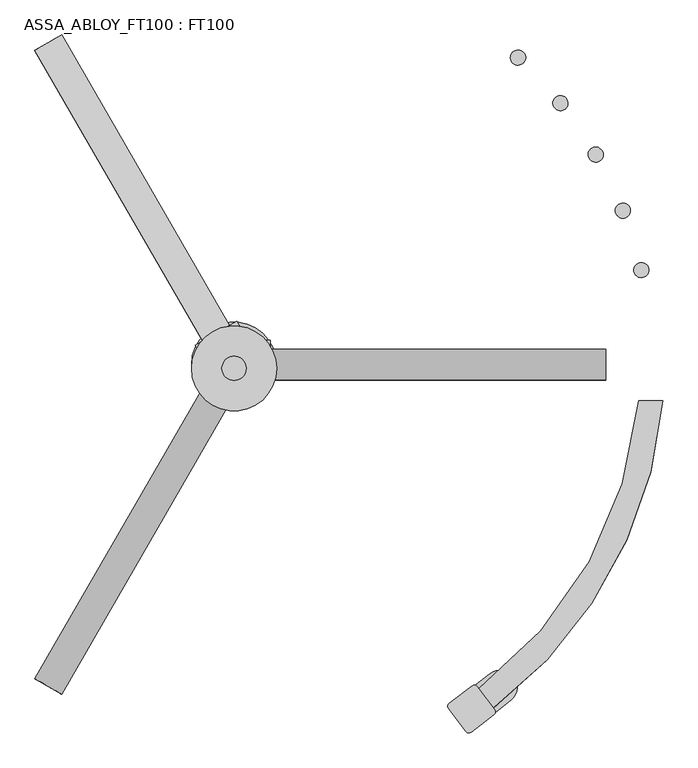
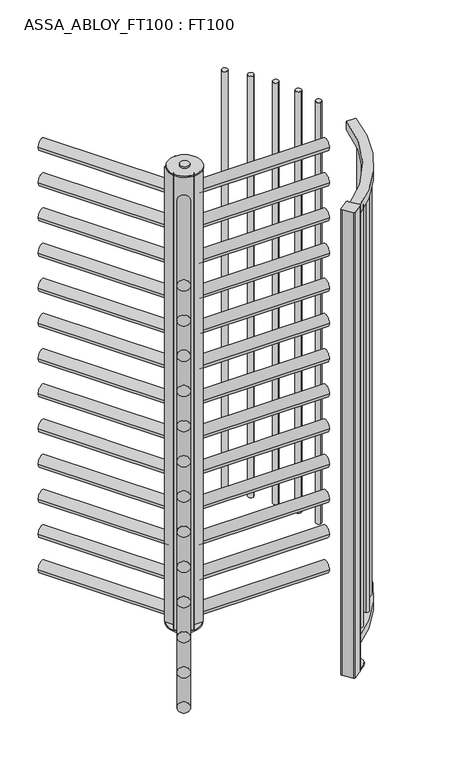
"""IFC4 building model written with IfcOpenShell, lengths in millimetres: proxy geometry, ASSA_ABLOY_FT100 : FT100."""

import ifcopenshell
import ifcopenshell.guid

model = None  # the IFC model being written
_history = None  # IfcOwnerHistory: only IFC2X3 demands one
_inside = {}  # id of a spatial element -> (the spatial element, [elements in it])
_under = {}  # id of a project, library or spatial element -> (it, [spatial elements below it])
_declared = {}  # id of a project -> (the project, [libraries it declares])
_typed = {}  # id of a type object -> (the type object, [elements of that type])
_made_of = {}  # id of a material, layer set ... -> (it, [elements and type objects made of it])


def new_model(schema):
    """Start an empty IFC model of exactly this schema.

    Asked for "IFC4X3", IfcOpenShell would pick the latest addendum, in which some entities
    have other attributes; the version numbers below select the first issue.
    IFC2X3 requires an IfcOwnerHistory on every rooted entity: one is made here for all.
    """
    global model, _history
    if schema == "IFC4X3":
        model = ifcopenshell.file(schema_version=(4, 3, 0, 0))
    else:
        model = ifcopenshell.file(schema=schema)
    _inside.clear()
    _under.clear()
    _declared.clear()
    _typed.clear()
    _made_of.clear()
    _history = None
    if model.schema == "IFC2X3":
        org = make("IfcOrganization", Name="unknown")
        user = make(
            "IfcPersonAndOrganization",
            ThePerson=make("IfcPerson", FamilyName="unknown"),
            TheOrganization=org,
        )
        app = make(
            "IfcApplication",
            ApplicationDeveloper=org,
            Version="unknown",
            ApplicationFullName="unknown",
            ApplicationIdentifier="unknown",
        )
        _history = make(
            "IfcOwnerHistory",
            OwningUser=user,
            OwningApplication=app,
            ChangeAction="ADDED",
            CreationDate=0,
        )
    return model


def make(cls, **values):
    """One entity of the class cls with the attributes given. An attribute that is None is left unset."""
    return model.create_entity(
        cls, **{name: value for name, value in values.items() if value is not None}
    )


def rooted(cls, **values):
    """An entity with a GlobalId (a new one), such as an element, a storey or a relation."""
    return make(cls, GlobalId=ifcopenshell.guid.new(), OwnerHistory=_history, **values)


def si_unit(unit_type, name, prefix=None):
    """IfcSIUnit, for example si_unit("LENGTHUNIT", "METRE", prefix="MILLI")."""
    return make("IfcSIUnit", UnitType=unit_type, Prefix=prefix, Name=name)


def assignment(units):
    """IfcUnitAssignment: the units of a project."""
    return None if units is None else make("IfcUnitAssignment", Units=units)


def point(xyz):
    """IfcCartesianPoint."""
    return None if xyz is None else make("IfcCartesianPoint", Coordinates=xyz)


def direction(xyz):
    """IfcDirection."""
    return None if xyz is None else make("IfcDirection", DirectionRatios=xyz)


def frame(location, z_axis=None, x_axis=None):
    """IfcAxis2Placement3D, a coordinate frame: its origin and axes. An axis left out is left unset."""
    return make(
        "IfcAxis2Placement3D",
        Location=point(location),
        Axis=direction(z_axis),
        RefDirection=direction(x_axis),
    )


def frame_2d(location, x_axis=None):
    """IfcAxis2Placement2D, a coordinate frame in the plane: its origin and x axis."""
    return make(
        "IfcAxis2Placement2D", Location=point(location), RefDirection=direction(x_axis)
    )


def origin():
    """The frame at (0, 0, 0) with its axes left unset."""
    return frame((0.0, 0.0, 0.0))


def origin_with_axes():
    """The frame at (0, 0, 0) with the z axis (0, 0, 1) and the x axis (1, 0, 0) written out."""
    return frame((0.0, 0.0, 0.0), z_axis=(0.0, 0.0, 1.0), x_axis=(1.0, 0.0, 0.0))


def origin_2d():
    """The frame at (0, 0) in the plane with its x axis left unset."""
    return frame_2d((0.0, 0.0))


def place(relative_to, where):
    """IfcLocalPlacement: puts the frame where relative to a parent placement (None: the world)."""
    return make(
        "IfcLocalPlacement", PlacementRelTo=relative_to, RelativePlacement=where
    )


def context(
    kind, dimensions, precision=None, world=None, true_north=None, identifier=None
):
    """IfcGeometricRepresentationContext, for example the 3D "Model" context."""
    return make(
        "IfcGeometricRepresentationContext",
        ContextIdentifier=identifier,
        ContextType=kind,
        CoordinateSpaceDimension=dimensions,
        Precision=precision,
        WorldCoordinateSystem=world,
        TrueNorth=true_north,
    )


def project(units=None, contexts=None):
    """IfcProject with its units and contexts."""
    return rooted(
        "IfcProject",
        Name="project",
        RepresentationContexts=contexts,
        UnitsInContext=assignment(units),
    )


def spatial(cls, under=None, at=None, **own):
    """A site, building, storey or space (cls), placed at a placement, below another one or the project."""
    s = rooted(cls, ObjectPlacement=at, **own)
    if under is not None:
        _under.setdefault(under.id(), (under, []))[1].append(s)
    return s


def polyline(points):
    """IfcPolyline through the points."""
    return make("IfcPolyline", Points=[point(p) for p in points])


def circle_curve(where, radius):
    """IfcCircle in the frame where."""
    return make("IfcCircle", Position=where, Radius=radius)


def trimmed(basis, trim1, trim2, sense, master):
    """IfcTrimmedCurve: the piece of a basis curve between two trims."""
    return make(
        "IfcTrimmedCurve",
        BasisCurve=basis,
        Trim1=trim1,
        Trim2=trim2,
        SenseAgreement=sense,
        MasterRepresentation=master,
    )


def segment(curve, same_sense, transition):
    """IfcCompositeCurveSegment."""
    return make(
        "IfcCompositeCurveSegment",
        Transition=transition,
        SameSense=same_sense,
        ParentCurve=curve,
    )


def composite_curve(segments, self_intersect=None):
    """IfcCompositeCurve: segments joined end to end."""
    return make("IfcCompositeCurve", Segments=segments, SelfIntersect=self_intersect)


def outline(outer, holes=None, kind="AREA"):
    """IfcArbitraryClosedProfileDef: a profile drawn as a closed curve; with holes, ...WithVoids."""
    if holes is None:
        return make("IfcArbitraryClosedProfileDef", ProfileType=kind, OuterCurve=outer)
    return make(
        "IfcArbitraryProfileDefWithVoids",
        ProfileType=kind,
        OuterCurve=outer,
        InnerCurves=holes,
    )


def extrude(swept, where, along, depth):
    """IfcExtrudedAreaSolid: the profile swept, set in the frame where, extruded along a direction by depth."""
    return make(
        "IfcExtrudedAreaSolid",
        SweptArea=swept,
        Position=where,
        ExtrudedDirection=direction(along),
        Depth=depth,
    )


def shape(context_of_items, identifier, shape_type, items):
    """IfcShapeRepresentation: the items that make up one representation, for example the "Body"."""
    return make(
        "IfcShapeRepresentation",
        ContextOfItems=context_of_items,
        RepresentationIdentifier=identifier,
        RepresentationType=shape_type,
        Items=items,
    )


def source(mapping_origin, context_of_items, identifier, shape_type, items):
    """IfcRepresentationMap: a shape defined once, which mapped items show again and again."""
    return make(
        "IfcRepresentationMap",
        MappingOrigin=mapping_origin,
        MappedRepresentation=shape(context_of_items, identifier, shape_type, items),
    )


def transform(
    local_origin,
    x_axis=None,
    y_axis=None,
    z_axis=None,
    scale=None,
    scale2=None,
    scale3=None,
    uniform=True,
):
    """IfcCartesianTransformationOperator3D, or its non-uniform kind. x_axis, y_axis, z_axis: its Axis1, 2, 3."""
    if uniform:
        return make(
            "IfcCartesianTransformationOperator3D",
            Axis1=direction(x_axis),
            Axis2=direction(y_axis),
            LocalOrigin=point(local_origin),
            Scale=scale,
            Axis3=direction(z_axis),
        )
    return make(
        "IfcCartesianTransformationOperator3DnonUniform",
        Axis1=direction(x_axis),
        Axis2=direction(y_axis),
        LocalOrigin=point(local_origin),
        Scale=scale,
        Axis3=direction(z_axis),
        Scale2=scale2,
        Scale3=scale3,
    )


def mapped(mapping_source, mapping_target):
    """IfcMappedItem: shows the shape of a source again, moved by a transform."""
    return make(
        "IfcMappedItem", MappingSource=mapping_source, MappingTarget=mapping_target
    )


def made_of(thing, what):
    """Note that an element or type object is made of a material, layer set ...; save() writes the relation."""
    if what is not None:
        _made_of.setdefault(what.id(), (what, []))[1].append(thing)
    return thing


def element(
    cls,
    number,
    at=None,
    inside=None,
    cuts=None,
    type_object=None,
    material=None,
    context=None,
    identifier="Body",
    shape_type=None,
    held_by="IfcProductDefinitionShape",
    body=None,
    shapes=None,
    **own,
):
    """One element of the class cls, such as IfcWall. Its Tag is "e" and its number.

    at: its placement. inside: the storey or other place that contains it. cuts: it is an
    opening in that element (IfcRelVoidsElement). A single representation is given by context,
    identifier, shape_type and body (its items); several are given by shapes. held_by: the class
    of the entity that holds the representations. save() writes the other relations.
    """
    e = rooted(cls, Tag="e%d" % number, ObjectPlacement=at, **own)
    if body is not None:
        shapes = [shape(context, identifier, shape_type, body)]
    if shapes is not None:
        e.Representation = make(held_by, Representations=shapes)
    if inside is not None:
        _inside.setdefault(inside.id(), (inside, []))[1].append(e)
    if cuts is not None:
        rooted(
            "IfcRelVoidsElement", RelatingBuildingElement=cuts, RelatedOpeningElement=e
        )
    if type_object is not None:
        _typed.setdefault(type_object.id(), (type_object, []))[1].append(e)
    return made_of(e, material)


def aggregate(whole, parts):
    """IfcRelAggregates: a whole, such as a stair, and the parts it consists of."""
    return rooted("IfcRelAggregates", RelatingObject=whole, RelatedObjects=parts)


def save(model, path):
    """Write the relations noted so far, then the file.

    IfcRelAggregates (storeys below a building ...), IfcRelContainedInSpatialStructure (elements
    in a storey), IfcRelDefinesByType, IfcRelAssociatesMaterial and IfcRelDeclares: one each for
    every whole, place, type object, material and project.
    """
    for whole, parts in _under.values():
        aggregate(whole, parts)
    for where, things in _inside.values():
        rooted(
            "IfcRelContainedInSpatialStructure",
            RelatedElements=things,
            RelatingStructure=where,
        )
    for kind, things in _typed.values():
        rooted("IfcRelDefinesByType", RelatedObjects=things, RelatingType=kind)
    for what, things in _made_of.values():
        rooted("IfcRelAssociatesMaterial", RelatedObjects=things, RelatingMaterial=what)
    for by, libraries in _declared.values():
        rooted("IfcRelDeclares", RelatingContext=by, RelatedDefinitions=libraries)
    model.write(path)


def plane_surface(at):
    """IfcPlane: the flat surface through the origin of the frame at, square to its z axis."""
    return make("IfcPlane", Position=at)


def cylinder_surface(at, radius):
    """IfcCylindricalSurface: all points at the distance radius from the z axis of the frame at."""
    return make("IfcCylindricalSurface", Position=at, Radius=radius)


def advanced_brep(points, edges, surfaces, faces):
    """IfcAdvancedBrep: a solid bounded by faces that lie on surfaces and meet in shared edges.

    An edge is (start, end): straight between two places in points (the first is 0);
    or (start, end, curve); or (start, end, curve, False) where it runs against its curve.
    A face is (place in surfaces, loops), or (place, loops, False) where it looks against
    its surface's normal. A loop lists edges by number (the first is 1), with a minus sign
    where the edge is run from its end to its start. The first loop is the outer one.
    """
    corners = [point(p) for p in points]
    vertices = [make("IfcVertexPoint", VertexGeometry=c) for c in corners]
    made = []
    for start, end, *more in edges:
        made.append(
            make(
                "IfcEdgeCurve",
                EdgeStart=vertices[start],
                EdgeEnd=vertices[end],
                EdgeGeometry=more[0] if more else make("IfcPolyline", Points=[corners[start], corners[end]]),
                SameSense=more[1] if len(more) > 1 else True,
            )
        )
    hull = []
    for where, loops, *sense in faces:
        bounds = []
        for j, loop in enumerate(loops):
            ring = [make("IfcOrientedEdge", EdgeElement=made[abs(k) - 1], Orientation=k > 0) for k in loop]
            bounds.append(
                make(
                    "IfcFaceOuterBound" if j == 0 else "IfcFaceBound",
                    Bound=make("IfcEdgeLoop", EdgeList=ring),
                    Orientation=True,
                )
            )
        hull.append(make("IfcAdvancedFace", Bounds=bounds, FaceSurface=surfaces[where], SameSense=sense[0] if sense else True))
    return make("IfcAdvancedBrep", Outer=make("IfcClosedShell", CfsFaces=hull))


def assa_abloy_ft100_ft100_a3c77648(model_context):
    return source(origin(), model_context, "Body", "SolidModel", [
        extrude(outline(composite_curve([segment(trimmed(circle_curve(frame_2d((25.5, 2.28e-05)), 25.5), [point((25.5, -25.4999771))], [point((25.5, 25.5000229))], False, "CARTESIAN"), True, "CONTINUOUS"), segment(trimmed(circle_curve(frame_2d((25.5, 2.28e-05)), 25.5), [point((25.5, 25.5000229))], [point((25.5, -25.4999771))], False, "CARTESIAN"), True, "CONTINUOUS")], self_intersect=False)), frame((-307.9197029, -533.3773229, 37.0), z_axis=(0.49996853474322756, 0.866043569496772, 0.0), x_axis=(0.0, 0.0, 1.0)), (0.0, 0.0, 1.0), 555.9000001),
        extrude(outline(composite_curve([segment(trimmed(circle_curve(frame_2d((186.5, 2.28e-05)), 25.5), [point((186.5, -25.4999771))], [point((186.5, 25.5000229))], False, "CARTESIAN"), True, "CONTINUOUS"), segment(trimmed(circle_curve(frame_2d((186.5, 2.28e-05)), 25.5), [point((186.5, 25.5000229))], [point((186.5, -25.4999771))], False, "CARTESIAN"), True, "CONTINUOUS")], self_intersect=False)), frame((-307.9197029, -533.3773229, 37.0), z_axis=(0.49996853474322756, 0.866043569496772, 0.0), x_axis=(0.0, 0.0, 1.0)), (0.0, 0.0, 1.0), 555.9000001),
        extrude(outline(composite_curve([segment(trimmed(circle_curve(frame_2d((347.5, 2.28e-05)), 25.5), [point((347.5, -25.4999771))], [point((347.5, 25.5000229))], False, "CARTESIAN"), True, "CONTINUOUS"), segment(trimmed(circle_curve(frame_2d((347.5, 2.28e-05)), 25.5), [point((347.5, 25.5000229))], [point((347.5, -25.4999771))], False, "CARTESIAN"), True, "CONTINUOUS")], self_intersect=False)), frame((-307.9197029, -533.3773229, 37.0), z_axis=(0.49996853474322756, 0.866043569496772, 0.0), x_axis=(0.0, 0.0, 1.0)), (0.0, 0.0, 1.0), 555.9000001),
        extrude(outline(composite_curve([segment(trimmed(circle_curve(frame_2d((508.5, 2.28e-05)), 25.5), [point((508.5, -25.4999771))], [point((508.5, 25.5000229))], False, "CARTESIAN"), True, "CONTINUOUS"), segment(trimmed(circle_curve(frame_2d((508.5, 2.28e-05)), 25.5), [point((508.5, 25.5000229))], [point((508.5, -25.4999771))], False, "CARTESIAN"), True, "CONTINUOUS")], self_intersect=False)), frame((-307.9197029, -533.3773229, 37.0), z_axis=(0.49996853474322756, 0.866043569496772, 0.0), x_axis=(0.0, 0.0, 1.0)), (0.0, 0.0, 1.0), 555.9000001),
        extrude(outline(composite_curve([segment(trimmed(circle_curve(frame_2d((669.5, 2.28e-05)), 25.5), [point((669.5, -25.4999771))], [point((669.5, 25.5000229))], False, "CARTESIAN"), True, "CONTINUOUS"), segment(trimmed(circle_curve(frame_2d((669.5, 2.28e-05)), 25.5), [point((669.5, 25.5000229))], [point((669.5, -25.4999771))], False, "CARTESIAN"), True, "CONTINUOUS")], self_intersect=False)), frame((-307.9197029, -533.3773229, 37.0), z_axis=(0.49996853474322756, 0.866043569496772, 0.0), x_axis=(0.0, 0.0, 1.0)), (0.0, 0.0, 1.0), 555.9000001),
        extrude(outline(composite_curve([segment(trimmed(circle_curve(frame_2d((830.5, 2.28e-05)), 25.5), [point((830.5, -25.4999771))], [point((830.5, 25.5000229))], False, "CARTESIAN"), True, "CONTINUOUS"), segment(trimmed(circle_curve(frame_2d((830.5, 2.28e-05)), 25.5), [point((830.5, 25.5000229))], [point((830.5, -25.4999771))], False, "CARTESIAN"), True, "CONTINUOUS")], self_intersect=False)), frame((-307.9197029, -533.3773229, 37.0), z_axis=(0.49996853474322756, 0.866043569496772, 0.0), x_axis=(0.0, 0.0, 1.0)), (0.0, 0.0, 1.0), 555.9000001),
        extrude(outline(composite_curve([segment(trimmed(circle_curve(frame_2d((991.5, 2.28e-05)), 25.5), [point((991.5, -25.4999771))], [point((991.5, 25.5000229))], False, "CARTESIAN"), True, "CONTINUOUS"), segment(trimmed(circle_curve(frame_2d((991.5, 2.28e-05)), 25.5), [point((991.5, 25.5000229))], [point((991.5, -25.4999771))], False, "CARTESIAN"), True, "CONTINUOUS")], self_intersect=False)), frame((-307.9197029, -533.3773229, 37.0), z_axis=(0.49996853474322756, 0.866043569496772, 0.0), x_axis=(0.0, 0.0, 1.0)), (0.0, 0.0, 1.0), 555.9000001),
        extrude(outline(composite_curve([segment(trimmed(circle_curve(frame_2d((1152.5, 2.28e-05)), 25.5), [point((1152.5, -25.4999771))], [point((1152.5, 25.5000229))], False, "CARTESIAN"), True, "CONTINUOUS"), segment(trimmed(circle_curve(frame_2d((1152.5, 2.28e-05)), 25.5), [point((1152.5, 25.5000229))], [point((1152.5, -25.4999771))], False, "CARTESIAN"), True, "CONTINUOUS")], self_intersect=False)), frame((-307.9197029, -533.3773229, 37.0), z_axis=(0.49996853474322756, 0.866043569496772, 0.0), x_axis=(0.0, 0.0, 1.0)), (0.0, 0.0, 1.0), 555.9000001),
        extrude(outline(composite_curve([segment(trimmed(circle_curve(frame_2d((1313.5, 2.28e-05)), 25.5), [point((1313.5, -25.4999771))], [point((1313.5, 25.5000229))], False, "CARTESIAN"), True, "CONTINUOUS"), segment(trimmed(circle_curve(frame_2d((1313.5, 2.28e-05)), 25.5), [point((1313.5, 25.5000229))], [point((1313.5, -25.4999771))], False, "CARTESIAN"), True, "CONTINUOUS")], self_intersect=False)), frame((-307.9197029, -533.3773229, 37.0), z_axis=(0.49996853474322756, 0.866043569496772, 0.0), x_axis=(0.0, 0.0, 1.0)), (0.0, 0.0, 1.0), 555.9000001),
        extrude(outline(composite_curve([segment(trimmed(circle_curve(frame_2d((1474.5, 2.28e-05)), 25.5), [point((1474.5, -25.4999771))], [point((1474.5, 25.5000229))], False, "CARTESIAN"), True, "CONTINUOUS"), segment(trimmed(circle_curve(frame_2d((1474.5, 2.28e-05)), 25.5), [point((1474.5, 25.5000229))], [point((1474.5, -25.4999771))], False, "CARTESIAN"), True, "CONTINUOUS")], self_intersect=False)), frame((-307.9197029, -533.3773229, 37.0), z_axis=(0.49996853474322756, 0.866043569496772, 0.0), x_axis=(0.0, 0.0, 1.0)), (0.0, 0.0, 1.0), 555.9000001),
        extrude(outline(composite_curve([segment(trimmed(circle_curve(frame_2d((1635.5, 2.28e-05)), 25.5), [point((1635.5, -25.4999771))], [point((1635.5, 25.5000229))], False, "CARTESIAN"), True, "CONTINUOUS"), segment(trimmed(circle_curve(frame_2d((1635.5, 2.28e-05)), 25.5), [point((1635.5, 25.5000229))], [point((1635.5, -25.4999771))], False, "CARTESIAN"), True, "CONTINUOUS")], self_intersect=False)), frame((-307.9197029, -533.3773229, 37.0), z_axis=(0.49996853474322756, 0.866043569496772, 0.0), x_axis=(0.0, 0.0, 1.0)), (0.0, 0.0, 1.0), 555.9000001),
        extrude(outline(composite_curve([segment(trimmed(circle_curve(frame_2d((1796.5, 2.28e-05)), 25.5), [point((1796.5, -25.4999771))], [point((1796.5, 25.5000229))], False, "CARTESIAN"), True, "CONTINUOUS"), segment(trimmed(circle_curve(frame_2d((1796.5, 2.28e-05)), 25.5), [point((1796.5, 25.5000229))], [point((1796.5, -25.4999771))], False, "CARTESIAN"), True, "CONTINUOUS")], self_intersect=False)), frame((-307.9197029, -533.3773229, 37.0), z_axis=(0.49996853474322756, 0.866043569496772, 0.0), x_axis=(0.0, 0.0, 1.0)), (0.0, 0.0, 1.0), 555.9000001),
        extrude(outline(composite_curve([segment(trimmed(circle_curve(frame_2d((1957.5, 2.28e-05)), 25.5), [point((1957.5, -25.4999771))], [point((1957.5, 25.5000229))], False, "CARTESIAN"), True, "CONTINUOUS"), segment(trimmed(circle_curve(frame_2d((1957.5, 2.28e-05)), 25.5), [point((1957.5, 25.5000229))], [point((1957.5, -25.4999771))], False, "CARTESIAN"), True, "CONTINUOUS")], self_intersect=False)), frame((-307.9197029, -533.3773229, 37.0), z_axis=(0.49996853474322756, 0.866043569496772, 0.0), x_axis=(0.0, 0.0, 1.0)), (0.0, 0.0, 1.0), 555.9000001),
        extrude(outline(composite_curve([segment(trimmed(circle_curve(frame_2d((25.5, -2.28e-05)), 25.5), [point((25.5, 25.4999772))], [point((25.5, -25.5000228))], False, "CARTESIAN"), True, "CONTINUOUS"), segment(trimmed(circle_curve(frame_2d((25.5, -2.28e-05)), 25.5), [point((25.5, -25.5000228))], [point((25.5, 25.4999772))], False, "CARTESIAN"), True, "CONTINUOUS")], self_intersect=False)), frame((-29.9917907, 51.946396, 37.0), z_axis=(-0.5000065646043342, 0.8660216136751852, 0.0), x_axis=(0.0, 0.0, 1.0)), (0.0, 0.0, 1.0), 555.9),
        extrude(outline(composite_curve([segment(trimmed(circle_curve(frame_2d((186.5, -2.28e-05)), 25.5), [point((186.5, 25.4999772))], [point((186.5, -25.5000228))], False, "CARTESIAN"), True, "CONTINUOUS"), segment(trimmed(circle_curve(frame_2d((186.5, -2.28e-05)), 25.5), [point((186.5, -25.5000228))], [point((186.5, 25.4999772))], False, "CARTESIAN"), True, "CONTINUOUS")], self_intersect=False)), frame((-29.9917907, 51.946396, 37.0), z_axis=(-0.5000065646043342, 0.8660216136751852, 0.0), x_axis=(0.0, 0.0, 1.0)), (0.0, 0.0, 1.0), 555.9),
        extrude(outline(composite_curve([segment(trimmed(circle_curve(frame_2d((347.5, -2.28e-05)), 25.5), [point((347.5, 25.4999772))], [point((347.5, -25.5000228))], False, "CARTESIAN"), True, "CONTINUOUS"), segment(trimmed(circle_curve(frame_2d((347.5, -2.28e-05)), 25.5), [point((347.5, -25.5000228))], [point((347.5, 25.4999772))], False, "CARTESIAN"), True, "CONTINUOUS")], self_intersect=False)), frame((-29.9917907, 51.946396, 37.0), z_axis=(-0.5000065646043342, 0.8660216136751852, 0.0), x_axis=(0.0, 0.0, 1.0)), (0.0, 0.0, 1.0), 555.9),
        extrude(outline(composite_curve([segment(trimmed(circle_curve(frame_2d((508.5, -2.28e-05)), 25.5), [point((508.5, 25.4999772))], [point((508.5, -25.5000228))], False, "CARTESIAN"), True, "CONTINUOUS"), segment(trimmed(circle_curve(frame_2d((508.5, -2.28e-05)), 25.5), [point((508.5, -25.5000228))], [point((508.5, 25.4999772))], False, "CARTESIAN"), True, "CONTINUOUS")], self_intersect=False)), frame((-29.9917907, 51.946396, 37.0), z_axis=(-0.5000065646043342, 0.8660216136751852, 0.0), x_axis=(0.0, 0.0, 1.0)), (0.0, 0.0, 1.0), 555.9),
        extrude(outline(composite_curve([segment(trimmed(circle_curve(frame_2d((669.5, -2.28e-05)), 25.5), [point((669.5, 25.4999772))], [point((669.5, -25.5000228))], False, "CARTESIAN"), True, "CONTINUOUS"), segment(trimmed(circle_curve(frame_2d((669.5, -2.28e-05)), 25.5), [point((669.5, -25.5000228))], [point((669.5, 25.4999772))], False, "CARTESIAN"), True, "CONTINUOUS")], self_intersect=False)), frame((-29.9917907, 51.946396, 37.0), z_axis=(-0.5000065646043342, 0.8660216136751852, 0.0), x_axis=(0.0, 0.0, 1.0)), (0.0, 0.0, 1.0), 555.9),
        extrude(outline(composite_curve([segment(trimmed(circle_curve(frame_2d((830.5, -2.28e-05)), 25.5), [point((830.5, 25.4999772))], [point((830.5, -25.5000228))], False, "CARTESIAN"), True, "CONTINUOUS"), segment(trimmed(circle_curve(frame_2d((830.5, -2.28e-05)), 25.5), [point((830.5, -25.5000228))], [point((830.5, 25.4999772))], False, "CARTESIAN"), True, "CONTINUOUS")], self_intersect=False)), frame((-29.9917907, 51.946396, 37.0), z_axis=(-0.5000065646043342, 0.8660216136751852, 0.0), x_axis=(0.0, 0.0, 1.0)), (0.0, 0.0, 1.0), 555.9),
        extrude(outline(composite_curve([segment(trimmed(circle_curve(frame_2d((991.5, -2.28e-05)), 25.5), [point((991.5, 25.4999772))], [point((991.5, -25.5000228))], False, "CARTESIAN"), True, "CONTINUOUS"), segment(trimmed(circle_curve(frame_2d((991.5, -2.28e-05)), 25.5), [point((991.5, -25.5000228))], [point((991.5, 25.4999772))], False, "CARTESIAN"), True, "CONTINUOUS")], self_intersect=False)), frame((-29.9917907, 51.946396, 37.0), z_axis=(-0.5000065646043342, 0.8660216136751852, 0.0), x_axis=(0.0, 0.0, 1.0)), (0.0, 0.0, 1.0), 555.9),
        extrude(outline(composite_curve([segment(trimmed(circle_curve(frame_2d((1152.5, -2.28e-05)), 25.5), [point((1152.5, 25.4999772))], [point((1152.5, -25.5000228))], False, "CARTESIAN"), True, "CONTINUOUS"), segment(trimmed(circle_curve(frame_2d((1152.5, -2.28e-05)), 25.5), [point((1152.5, -25.5000228))], [point((1152.5, 25.4999772))], False, "CARTESIAN"), True, "CONTINUOUS")], self_intersect=False)), frame((-29.9917907, 51.946396, 37.0), z_axis=(-0.5000065646043342, 0.8660216136751852, 0.0), x_axis=(0.0, 0.0, 1.0)), (0.0, 0.0, 1.0), 555.9),
        extrude(outline(composite_curve([segment(trimmed(circle_curve(frame_2d((1313.5, -2.28e-05)), 25.5), [point((1313.5, 25.4999772))], [point((1313.5, -25.5000228))], False, "CARTESIAN"), True, "CONTINUOUS"), segment(trimmed(circle_curve(frame_2d((1313.5, -2.28e-05)), 25.5), [point((1313.5, -25.5000228))], [point((1313.5, 25.4999772))], False, "CARTESIAN"), True, "CONTINUOUS")], self_intersect=False)), frame((-29.9917907, 51.946396, 37.0), z_axis=(-0.5000065646043342, 0.8660216136751852, 0.0), x_axis=(0.0, 0.0, 1.0)), (0.0, 0.0, 1.0), 555.9),
        extrude(outline(composite_curve([segment(trimmed(circle_curve(frame_2d((1474.5, -2.28e-05)), 25.5), [point((1474.5, 25.4999772))], [point((1474.5, -25.5000228))], False, "CARTESIAN"), True, "CONTINUOUS"), segment(trimmed(circle_curve(frame_2d((1474.5, -2.28e-05)), 25.5), [point((1474.5, -25.5000228))], [point((1474.5, 25.4999772))], False, "CARTESIAN"), True, "CONTINUOUS")], self_intersect=False)), frame((-29.9917907, 51.946396, 37.0), z_axis=(-0.5000065646043342, 0.8660216136751852, 0.0), x_axis=(0.0, 0.0, 1.0)), (0.0, 0.0, 1.0), 555.9),
        extrude(outline(composite_curve([segment(trimmed(circle_curve(frame_2d((1635.5, -2.28e-05)), 25.5), [point((1635.5, 25.4999772))], [point((1635.5, -25.5000228))], False, "CARTESIAN"), True, "CONTINUOUS"), segment(trimmed(circle_curve(frame_2d((1635.5, -2.28e-05)), 25.5), [point((1635.5, -25.5000228))], [point((1635.5, 25.4999772))], False, "CARTESIAN"), True, "CONTINUOUS")], self_intersect=False)), frame((-29.9917907, 51.946396, 37.0), z_axis=(-0.5000065646043342, 0.8660216136751852, 0.0), x_axis=(0.0, 0.0, 1.0)), (0.0, 0.0, 1.0), 555.9),
        extrude(outline(composite_curve([segment(trimmed(circle_curve(frame_2d((1796.5, -2.28e-05)), 25.5), [point((1796.5, 25.4999772))], [point((1796.5, -25.5000228))], False, "CARTESIAN"), True, "CONTINUOUS"), segment(trimmed(circle_curve(frame_2d((1796.5, -2.28e-05)), 25.5), [point((1796.5, -25.5000228))], [point((1796.5, 25.4999772))], False, "CARTESIAN"), True, "CONTINUOUS")], self_intersect=False)), frame((-29.9917907, 51.946396, 37.0), z_axis=(-0.5000065646043342, 0.8660216136751852, 0.0), x_axis=(0.0, 0.0, 1.0)), (0.0, 0.0, 1.0), 555.9),
        extrude(outline(composite_curve([segment(trimmed(circle_curve(frame_2d((1957.5, -2.28e-05)), 25.5), [point((1957.5, 25.4999772))], [point((1957.5, -25.5000228))], False, "CARTESIAN"), True, "CONTINUOUS"), segment(trimmed(circle_curve(frame_2d((1957.5, -2.28e-05)), 25.5), [point((1957.5, -25.5000228))], [point((1957.5, 25.4999772))], False, "CARTESIAN"), True, "CONTINUOUS")], self_intersect=False)), frame((-29.9917907, 51.946396, 37.0), z_axis=(-0.5000065646043342, 0.8660216136751852, 0.0), x_axis=(0.0, 0.0, 1.0)), (0.0, 0.0, 1.0), 555.9),
        extrude(outline(composite_curve([segment(trimmed(circle_curve(frame_2d((0.0, 62.5)), 25.5), [point((-25.5, 62.5))], [point((25.5, 62.5))], False, "CARTESIAN"), True, "CONTINUOUS"), segment(trimmed(circle_curve(frame_2d((0.0, 62.5)), 25.5), [point((25.5, 62.5))], [point((-25.5, 62.5))], False, "CARTESIAN"), True, "CONTINUOUS")], self_intersect=False)), frame((60.0, 0.0, 0.0), z_axis=(1.0, 0.0, 0.0), x_axis=(0.0, 1.0, 0.0)), (0.0, 0.0, 1.0), 555.9),
        extrude(outline(composite_curve([segment(trimmed(circle_curve(frame_2d((0.0, 223.5)), 25.5), [point((-25.5, 223.5))], [point((25.5, 223.5))], False, "CARTESIAN"), True, "CONTINUOUS"), segment(trimmed(circle_curve(frame_2d((0.0, 223.5)), 25.5), [point((25.5, 223.5))], [point((-25.5, 223.5))], False, "CARTESIAN"), True, "CONTINUOUS")], self_intersect=False)), frame((60.0, 0.0, 0.0), z_axis=(1.0, 0.0, 0.0), x_axis=(0.0, 1.0, 0.0)), (0.0, 0.0, 1.0), 555.9),
        extrude(outline(composite_curve([segment(trimmed(circle_curve(frame_2d((0.0, 384.5)), 25.5), [point((-25.5, 384.5))], [point((25.5, 384.5))], False, "CARTESIAN"), True, "CONTINUOUS"), segment(trimmed(circle_curve(frame_2d((0.0, 384.5)), 25.5), [point((25.5, 384.5))], [point((-25.5, 384.5))], False, "CARTESIAN"), True, "CONTINUOUS")], self_intersect=False)), frame((60.0, 0.0, 0.0), z_axis=(1.0, 0.0, 0.0), x_axis=(0.0, 1.0, 0.0)), (0.0, 0.0, 1.0), 555.9),
        extrude(outline(composite_curve([segment(trimmed(circle_curve(frame_2d((0.0, 545.5)), 25.5), [point((-25.5, 545.5))], [point((25.5, 545.5))], False, "CARTESIAN"), True, "CONTINUOUS"), segment(trimmed(circle_curve(frame_2d((0.0, 545.5)), 25.5), [point((25.5, 545.5))], [point((-25.5, 545.5))], False, "CARTESIAN"), True, "CONTINUOUS")], self_intersect=False)), frame((60.0, 0.0, 0.0), z_axis=(1.0, 0.0, 0.0), x_axis=(0.0, 1.0, 0.0)), (0.0, 0.0, 1.0), 555.9),
        extrude(outline(composite_curve([segment(trimmed(circle_curve(frame_2d((0.0, 706.5)), 25.5), [point((-25.5, 706.5))], [point((25.5, 706.5))], False, "CARTESIAN"), True, "CONTINUOUS"), segment(trimmed(circle_curve(frame_2d((0.0, 706.5)), 25.5), [point((25.5, 706.5))], [point((-25.5, 706.5))], False, "CARTESIAN"), True, "CONTINUOUS")], self_intersect=False)), frame((60.0, 0.0, 0.0), z_axis=(1.0, 0.0, 0.0), x_axis=(0.0, 1.0, 0.0)), (0.0, 0.0, 1.0), 555.9),
        extrude(outline(composite_curve([segment(trimmed(circle_curve(frame_2d((0.0, 867.5)), 25.5), [point((-25.5, 867.5))], [point((25.5, 867.5))], False, "CARTESIAN"), True, "CONTINUOUS"), segment(trimmed(circle_curve(frame_2d((0.0, 867.5)), 25.5), [point((25.5, 867.5))], [point((-25.5, 867.5))], False, "CARTESIAN"), True, "CONTINUOUS")], self_intersect=False)), frame((60.0, 0.0, 0.0), z_axis=(1.0, 0.0, 0.0), x_axis=(0.0, 1.0, 0.0)), (0.0, 0.0, 1.0), 555.9),
        extrude(outline(composite_curve([segment(trimmed(circle_curve(frame_2d((0.0, 1028.5)), 25.5), [point((-25.5, 1028.5))], [point((25.5, 1028.5))], False, "CARTESIAN"), True, "CONTINUOUS"), segment(trimmed(circle_curve(frame_2d((0.0, 1028.5)), 25.5), [point((25.5, 1028.5))], [point((-25.5, 1028.5))], False, "CARTESIAN"), True, "CONTINUOUS")], self_intersect=False)), frame((60.0, 0.0, 0.0), z_axis=(1.0, 0.0, 0.0), x_axis=(0.0, 1.0, 0.0)), (0.0, 0.0, 1.0), 555.9),
        extrude(outline(composite_curve([segment(trimmed(circle_curve(frame_2d((0.0, 1189.5)), 25.5), [point((-25.5, 1189.5))], [point((25.5, 1189.5))], False, "CARTESIAN"), True, "CONTINUOUS"), segment(trimmed(circle_curve(frame_2d((0.0, 1189.5)), 25.5), [point((25.5, 1189.5))], [point((-25.5, 1189.5))], False, "CARTESIAN"), True, "CONTINUOUS")], self_intersect=False)), frame((60.0, 0.0, 0.0), z_axis=(1.0, 0.0, 0.0), x_axis=(0.0, 1.0, 0.0)), (0.0, 0.0, 1.0), 555.9),
        extrude(outline(composite_curve([segment(trimmed(circle_curve(frame_2d((0.0, 1350.5)), 25.5), [point((-25.5, 1350.5))], [point((25.5, 1350.5))], False, "CARTESIAN"), True, "CONTINUOUS"), segment(trimmed(circle_curve(frame_2d((0.0, 1350.5)), 25.5), [point((25.5, 1350.5))], [point((-25.5, 1350.5))], False, "CARTESIAN"), True, "CONTINUOUS")], self_intersect=False)), frame((60.0, 0.0, 0.0), z_axis=(1.0, 0.0, 0.0), x_axis=(0.0, 1.0, 0.0)), (0.0, 0.0, 1.0), 555.9),
        extrude(outline(composite_curve([segment(trimmed(circle_curve(frame_2d((0.0, 1511.5)), 25.5), [point((-25.5, 1511.5))], [point((25.5, 1511.5))], False, "CARTESIAN"), True, "CONTINUOUS"), segment(trimmed(circle_curve(frame_2d((0.0, 1511.5)), 25.5), [point((25.5, 1511.5))], [point((-25.5, 1511.5))], False, "CARTESIAN"), True, "CONTINUOUS")], self_intersect=False)), frame((60.0, 0.0, 0.0), z_axis=(1.0, 0.0, 0.0), x_axis=(0.0, 1.0, 0.0)), (0.0, 0.0, 1.0), 555.9),
        extrude(outline(composite_curve([segment(trimmed(circle_curve(frame_2d((0.0, 1672.5)), 25.5), [point((-25.5, 1672.5))], [point((25.5, 1672.5))], False, "CARTESIAN"), True, "CONTINUOUS"), segment(trimmed(circle_curve(frame_2d((0.0, 1672.5)), 25.5), [point((25.5, 1672.5))], [point((-25.5, 1672.5))], False, "CARTESIAN"), True, "CONTINUOUS")], self_intersect=False)), frame((60.0, 0.0, 0.0), z_axis=(1.0, 0.0, 0.0), x_axis=(0.0, 1.0, 0.0)), (0.0, 0.0, 1.0), 555.9),
        extrude(outline(composite_curve([segment(trimmed(circle_curve(frame_2d((0.0, 1833.5)), 25.5), [point((-25.5, 1833.5))], [point((25.5, 1833.5))], False, "CARTESIAN"), True, "CONTINUOUS"), segment(trimmed(circle_curve(frame_2d((0.0, 1833.5)), 25.5), [point((25.5, 1833.5))], [point((-25.5, 1833.5))], False, "CARTESIAN"), True, "CONTINUOUS")], self_intersect=False)), frame((60.0, 0.0, 0.0), z_axis=(1.0, 0.0, 0.0), x_axis=(0.0, 1.0, 0.0)), (0.0, 0.0, 1.0), 555.9),
        extrude(outline(composite_curve([segment(trimmed(circle_curve(frame_2d((0.0, 1994.5)), 25.5), [point((-25.5, 1994.5))], [point((25.5, 1994.5))], False, "CARTESIAN"), True, "CONTINUOUS"), segment(trimmed(circle_curve(frame_2d((0.0, 1994.5)), 25.5), [point((25.5, 1994.5))], [point((-25.5, 1994.5))], False, "CARTESIAN"), True, "CONTINUOUS")], self_intersect=False)), frame((60.0, 0.0, 0.0), z_axis=(1.0, 0.0, 0.0), x_axis=(0.0, 1.0, 0.0)), (0.0, 0.0, 1.0), 555.9),
        extrude(outline(composite_curve([segment(trimmed(circle_curve(frame_2d((0.0003681, -6.5842658)), 20.0), [point((-19.9996319, -6.5842658))], [point((20.0003681, -6.5842658))], False, "CARTESIAN"), True, "CONTINUOUS"), segment(trimmed(circle_curve(frame_2d((0.0003681, -6.5842658)), 20.0), [point((20.0003681, -6.5842658))], [point((-19.9996319, -6.5842658))], False, "CARTESIAN"), True, "CONTINUOUS")], self_intersect=False)), frame((0.0, 0.0, 2116.4999542), z_axis=(0.0, 0.0, 1.0), x_axis=(1.0, 0.0, 0.0)), (0.0, 0.0, 1.0), 8.5),
        extrude(outline(composite_curve([segment(trimmed(circle_curve(frame_2d((0.0003681, -6.5842658)), 70.5), [point((-70.4996319, -6.5842658))], [point((70.5003681, -6.5842658))], False, "CARTESIAN"), True, "CONTINUOUS"), segment(trimmed(circle_curve(frame_2d((0.0003681, -6.5842658)), 70.5), [point((70.5003681, -6.5842658))], [point((-70.4996319, -6.5842658))], False, "CARTESIAN"), True, "CONTINUOUS")], self_intersect=False)), frame((0.0, 0.0, 2110.4999695), z_axis=(0.0, 0.0, 1.0), x_axis=(1.0, 0.0, 0.0)), (0.0, 0.0, 1.0), 5.9999847),
        extrude(outline(composite_curve([segment(trimmed(circle_curve(frame_2d((0.0003681, 0.0)), 20.0), [point((-19.9996319, 0.0))], [point((20.0003681, 0.0))], False, "CARTESIAN"), True, "CONTINUOUS"), segment(trimmed(circle_curve(frame_2d((0.0003681, 0.0)), 20.0), [point((20.0003681, 0.0))], [point((-19.9996319, 0.0))], False, "CARTESIAN"), True, "CONTINUOUS")], self_intersect=False)), frame((0.0, 0.0, 8.0), z_axis=(0.0, 0.0, 1.0), x_axis=(1.0, 0.0, 0.0)), (0.0, 0.0, 1.0), 13.0),
        extrude(outline(composite_curve([segment(trimmed(circle_curve(frame_2d((0.0003681, 0.0)), 70.5), [point((-70.4996319, 0.0))], [point((70.5003681, 0.0))], False, "CARTESIAN"), True, "CONTINUOUS"), segment(trimmed(circle_curve(frame_2d((0.0003681, 0.0)), 70.5), [point((70.5003681, 0.0))], [point((-70.4996319, 0.0))], False, "CARTESIAN"), True, "CONTINUOUS")], self_intersect=False)), frame((0.0, 0.0, 21.0), z_axis=(0.0, 0.0, 1.0), x_axis=(1.0, 0.0, 0.0)), (0.0, 0.0, 1.0), 5.9999847),
        extrude(outline(polyline([(23.0942963, 39.9999606), (60.0, 39.9999734), (60.0, -40.0000191), (23.0942625, -40.0000191), (4.2026102, -71.6815392), (-63.2809074, -32.7231813), (-46.1879562, 0.0), (-64.6324519, 31.9462508), (4.6494225, 71.9468599), (23.0942963, 39.9999606)])), frame((0.0, 0.0, 26.9999847), z_axis=(0.0, 0.0, 1.0), x_axis=(1.0, 0.0, 0.0)), (0.0, 0.0, 1.0), 2083.4999847),
        advanced_brep(
        [(672.1714963, -168.5710324, 148.5), (677.7624423, -144.2042311, 148.5), (672.1714963, -168.5710324, 2077.0), (677.7971029, -144.2122099, 2077.0)],
        [
            (0, 1, circle_curve(frame((674.9756359, -156.3896203, 148.5), z_axis=(0.0, 0.0, -1.0), x_axis=(0.22571736015093904, 0.9741928316952919, 0.0)), 12.5)),
            (1, 0, circle_curve(frame((674.9756359, -156.3896203, 148.5), z_axis=(0.0, 0.0, -1.0), x_axis=(0.22571736015093904, 0.9741928316952919, 0.0)), 12.5)),
            (2, 3, circle_curve(frame((674.9756359, -156.3896203, 2077.0), z_axis=(0.0, 0.0, 1.0), x_axis=(0.22571736015093904, 0.9741928316952919, 0.0)), 12.5)),
            (3, 2, circle_curve(frame((674.9756359, -156.3896203, 2077.0), z_axis=(0.0, 0.0, 1.0), x_axis=(0.22571736015093904, 0.9741928316952919, 0.0)), 12.5)),
            (1, 3),
            (2, 0),
        ],
        [
            plane_surface(frame((675.0182131, -156.3995588, 148.5), z_axis=(0.0, 0.0, -1.0), x_axis=(0.9741928316952919, -0.22571736015093904, 0.0))),
            plane_surface(frame((675.0182131, -156.3995588, 2077.0), z_axis=(0.0, 0.0, 1.0), x_axis=(0.9741928316952919, -0.22571736015093904, 0.0))),
            cylinder_surface(frame((674.9756359, -156.3896203, 148.5), z_axis=(0.0, 0.0, -1.0), x_axis=(0.22571736015093904, 0.9741928316952919, 0.0)), 12.5),
        ],
        [
            (0, [[1, 2]]),
            (1, [[3, 4]]),
            (2, [[5, -3, 6, -2]]),
            (2, [[-6, -4, -5, -1]]),
        ],
    ),
        advanced_brep(
        [(648.8913928, -243.2502324, 148.5), (639.6786074, -266.4908061, 148.5), (648.8913928, -243.2502324, 2077.0), (639.6455551, -266.4776767, 2077.0)],
        [
            (0, 1, circle_curve(frame((644.2767347, -254.8672428, 148.5), z_axis=(0.0, 0.0, -1.0), x_axis=(0.36785018396747954, 0.9298850693258235, 0.0)), 12.5)),
            (1, 0, circle_curve(frame((644.2767347, -254.8672428, 148.5), z_axis=(0.0, 0.0, -1.0), x_axis=(0.36785018396747954, 0.9298850693258235, 0.0)), 12.5)),
            (2, 3, circle_curve(frame((644.2767347, -254.8672428, 2077.0), z_axis=(0.0, 0.0, 1.0), x_axis=(0.36785018396747954, 0.9298850693258235, 0.0)), 12.5)),
            (3, 2, circle_curve(frame((644.2767347, -254.8672428, 2077.0), z_axis=(0.0, 0.0, 1.0), x_axis=(0.36785018396747954, 0.9298850693258235, 0.0)), 12.5)),
            (1, 3),
            (2, 0),
        ],
        [
            plane_surface(frame((644.3173645, -254.8833925, 148.5), z_axis=(0.0, 0.0, -1.0000000000000002), x_axis=(0.9298850693258235, -0.36785018396747954, 0.0))),
            plane_surface(frame((644.3173645, -254.8833925, 2077.0), z_axis=(0.0, 0.0, 1.0000000000000002), x_axis=(0.9298850693258235, -0.36785018396747954, 0.0))),
            cylinder_surface(frame((644.2767347, -254.8672428, 148.5), z_axis=(0.0, 0.0, -1.0000000000000002), x_axis=(0.36785018396747954, 0.9298850693258235, 0.0)), 12.5),
        ],
        [
            (0, [[1, 2]]),
            (1, [[3, 4]]),
            (2, [[5, -3, 6, -2]]),
            (2, [[-6, -4, -5, -1]]),
        ],
    ),
        advanced_brep(
        [(605.5857382, -336.8926075, 148.5), (593.0246225, -358.5078349, 148.5), (605.5857382, -336.8926075, 2077.0), (592.9938858, -358.4899438, 2077.0)],
        [
            (0, 1, circle_curve(frame((599.297493, -347.6957539, 148.5), z_axis=(0.0, 0.0, -1.0), x_axis=(0.5018296388362806, 0.8649664811918715, 0.0)), 12.5)),
            (1, 0, circle_curve(frame((599.297493, -347.6957539, 148.5), z_axis=(0.0, 0.0, -1.0), x_axis=(0.5018296388362806, 0.8649664811918715, 0.0)), 12.5)),
            (2, 3, circle_curve(frame((599.297493, -347.6957539, 2077.0), z_axis=(0.0, 0.0, 1.0), x_axis=(0.5018296388362806, 0.8649664811918715, 0.0)), 12.5)),
            (3, 2, circle_curve(frame((599.297493, -347.6957539, 2077.0), z_axis=(0.0, 0.0, 1.0), x_axis=(0.5018296388362806, 0.8649664811918715, 0.0)), 12.5)),
            (1, 3),
            (2, 0),
        ],
        [
            plane_surface(frame((599.3352748, -347.7177567, 148.5), z_axis=(0.0, 0.0, -1.0), x_axis=(0.8649664811918715, -0.5018296388362806, 0.0))),
            plane_surface(frame((599.3352748, -347.7177567, 2077.0), z_axis=(0.0, 0.0, 1.0), x_axis=(0.8649664811918715, -0.5018296388362806, 0.0))),
            cylinder_surface(frame((599.297493, -347.6957539, 148.5), z_axis=(0.0, 0.0, -1.0), x_axis=(0.5018296388362806, 0.8649664811918715, 0.0)), 12.5),
        ],
        [
            (0, [[1, 2]]),
            (1, [[3, 4]]),
            (2, [[5, -3, 6, -2]]),
            (2, [[-6, -4, -5, -1]]),
        ],
    ),
        advanced_brep(
        [(548.6950488, -423.2782285, 148.5), (533.0565381, -442.7830143, 148.5), (548.6950488, -423.2782285, 2077.0), (533.0288068, -442.7607475, 2077.0)],
        [
            (0, 1, circle_curve(frame((540.8688566, -433.0250596, 148.5), z_axis=(0.0, 0.0, -1.0), x_axis=(0.6249854827810994, 0.7806363726555894, 0.0)), 12.5)),
            (1, 0, circle_curve(frame((540.8688566, -433.0250596, 148.5), z_axis=(0.0, 0.0, -1.0), x_axis=(0.6249854827810994, 0.7806363726555894, 0.0)), 12.5)),
            (2, 3, circle_curve(frame((540.8688566, -433.0250596, 2077.0), z_axis=(0.0, 0.0, 1.0), x_axis=(0.6249854827810994, 0.7806363726555894, 0.0)), 12.5)),
            (3, 2, circle_curve(frame((540.8688566, -433.0250596, 2077.0), z_axis=(0.0, 0.0, 1.0), x_axis=(0.6249854827810994, 0.7806363726555894, 0.0)), 12.5)),
            (1, 3),
            (2, 0),
        ],
        [
            plane_surface(frame((540.9029426, -433.052441, 148.5), z_axis=(0.0, 0.0, -1.0000000000000002), x_axis=(0.7806363726555894, -0.6249854827810994, 0.0))),
            plane_surface(frame((540.9029426, -433.052441, 2077.0), z_axis=(0.0, 0.0, 1.0000000000000002), x_axis=(0.7806363726555894, -0.6249854827810994, 0.0))),
            cylinder_surface(frame((540.8688566, -433.0250596, 148.5), z_axis=(0.0, 0.0, -1.0000000000000002), x_axis=(0.6249854827810994, 0.7806363726555894, 0.0)), 12.5),
        ],
        [
            (0, [[1, 2]]),
            (1, [[3, 4]]),
            (2, [[5, -3, 6, -2]]),
            (2, [[-6, -4, -5, -1]]),
        ],
    ),
        advanced_brep(
        [(479.7291651, -500.038821, 148.5), (461.3781315, -517.0164405, 148.5), (479.7291651, -500.038821, 2077.0), (461.3750791, -517.0131405, 2077.0)],
        [
            (0, 1, circle_curve(frame((470.5528851, -508.5268058, 148.5), z_axis=(0.0, 0.0, -1.0), x_axis=(0.733980288863185, 0.6791707705432527, 0.0)), 12.5)),
            (1, 0, circle_curve(frame((470.5528851, -508.5268058, 148.5), z_axis=(0.0, 0.0, -1.0), x_axis=(0.733980288863185, 0.6791707705432527, 0.0)), 12.5)),
            (2, 3, circle_curve(frame((470.5528851, -508.5268058, 2077.0), z_axis=(0.0, 0.0, 1.0), x_axis=(0.733980288863185, 0.6791707705432527, 0.0)), 12.5)),
            (3, 2, circle_curve(frame((470.5528851, -508.5268058, 2077.0), z_axis=(0.0, 0.0, 1.0), x_axis=(0.733980288863185, 0.6791707705432527, 0.0)), 12.5)),
            (1, 3),
            (2, 0),
        ],
        [
            plane_surface(frame((470.5974269, -508.5749422, 148.5), z_axis=(0.0, 0.0, -1.0000000000000002), x_axis=(0.6791707705432527, -0.733980288863185, 0.0))),
            plane_surface(frame((470.5974269, -508.5749422, 2077.0), z_axis=(0.0, 0.0, 1.0000000000000002), x_axis=(0.6791707705432527, -0.733980288863185, 0.0))),
            cylinder_surface(frame((470.5528851, -508.5268058, 148.5), z_axis=(0.0, 0.0, -1.0000000000000002), x_axis=(0.733980288863185, 0.6791707705432527, 0.0)), 12.5),
        ],
        [
            (0, [[1, 2]]),
            (1, [[3, 4]]),
            (2, [[5, -3, 6, -2]]),
            (2, [[-6, -4, -5, -1]]),
        ],
    ),
        extrude(outline(composite_curve([segment(trimmed(circle_curve(origin_2d(), 672.9655826), [point((405.4696607, -537.1005768))], [point((670.2855178, -60.0))], True, "CARTESIAN"), True, "CONTINUOUS"), segment(polyline([(670.2855178, -60.0), (710.4364306, -60.0)]), True, "CONTINUOUS"), segment(trimmed(circle_curve(origin_2d(), 712.9655826), [point((710.4364306, -60.0))], [point((429.5701301, -569.0249778))], False, "CARTESIAN"), True, "CONTINUOUS"), segment(polyline([(429.5701301, -569.0249778), (405.4696607, -537.1005768)]), True, "CONTINUOUS")], self_intersect=False)), frame((0.0, 0.0, 108.5), z_axis=(0.0, 0.0, 1.0), x_axis=(1.0, 0.0, 0.0)), (0.0, 0.0, 1.0), 40.0),
        extrude(outline(composite_curve([segment(trimmed(circle_curve(origin_2d(), 672.9655826), [point((405.4696607, -537.1005768))], [point((670.2855178, -60.0))], True, "CARTESIAN"), True, "CONTINUOUS"), segment(polyline([(670.2855178, -60.0), (710.4364306, -60.0)]), True, "CONTINUOUS"), segment(trimmed(circle_curve(origin_2d(), 712.9655826), [point((710.4364306, -60.0))], [point((429.5701301, -569.0249778))], False, "CARTESIAN"), True, "CONTINUOUS"), segment(polyline([(429.5701301, -569.0249778), (405.4696607, -537.1005768)]), True, "CONTINUOUS")], self_intersect=False)), frame((0.0, 0.0, 2077.0), z_axis=(0.0, 0.0, 1.0), x_axis=(1.0, 0.0, 0.0)), (0.0, 0.0, 1.0), 40.0),
        extrude(outline(composite_curve([segment(trimmed(circle_curve(frame_2d((388.9402164, -604.1259242)), 6.4), [point((392.7962915, -609.2338283))], [point((383.8323123, -607.9819993))], False, "CARTESIAN"), True, "CONTINUOUS"), segment(polyline([(383.8323123, -607.9819993), (355.3937584, -570.3112062)]), True, "CONTINUOUS"), segment(trimmed(circle_curve(frame_2d((360.5016625, -566.4551311)), 6.4), [point((355.3937584, -570.3112062))], [point((356.6455874, -561.3472269))], False, "CARTESIAN"), True, "CONTINUOUS"), segment(polyline([(356.6455874, -561.3472269), (394.2971249, -532.9232096)]), True, "CONTINUOUS"), segment(trimmed(circle_curve(frame_2d((398.1532, -538.0311137)), 6.4), [point((394.2971249, -532.9232096))], [point((403.2611041, -534.1750386))], False, "CARTESIAN"), True, "CONTINUOUS"), segment(polyline([(403.2611041, -534.1750386), (431.699658, -571.8458317)]), True, "CONTINUOUS"), segment(trimmed(circle_curve(frame_2d((426.5917539, -575.7019068)), 6.4), [point((431.699658, -571.8458317))], [point((430.447829, -580.809811))], False, "CARTESIAN"), True, "CONTINUOUS"), segment(polyline([(430.447829, -580.809811), (392.7962915, -609.2338283)]), True, "CONTINUOUS")], self_intersect=False)), origin_with_axes(), (0.0, 0.0, 1.0), 2130.0),
        extrude(outline(composite_curve([segment(trimmed(circle_curve(frame_2d((-41.8928366, 55.4928491)), 734.3647421), [point((400.5705382, -530.6110124))], [point((423.2917391, -512.7455561))], True, "CARTESIAN"), True, "CONTINUOUS"), segment(trimmed(circle_curve(frame_2d((441.0283859, -534.4114592)), 28.0), [point((423.2917391, -512.7455561))], [point((458.7650328, -556.0773623))], False, "CARTESIAN"), True, "CONTINUOUS"), segment(trimmed(circle_curve(frame_2d((-41.8928366, 55.4928491)), 790.3647421), [point((458.7650328, -556.0773623))], [point((434.3111954, -575.3051737))], False, "CARTESIAN"), True, "CONTINUOUS"), segment(polyline([(434.3111954, -575.3051737), (400.5705382, -530.6110124)]), True, "CONTINUOUS")], self_intersect=False)), origin_with_axes(), (0.0, 0.0, 1.0), 8.0),
        advanced_brep(
        [(672.1714963, 168.5710324, 148.5), (677.7971029, 144.2122099, 148.5), (672.1714963, 168.5710324, 2077.0), (677.7624423, 144.2042311, 2077.0)],
        [
            (0, 1, circle_curve(frame((674.9756359, 156.3896203, 148.5), z_axis=(0.0, 0.0, -1.0), x_axis=(0.22571736015093904, -0.9741928316952919, 0.0)), 12.5)),
            (1, 0, circle_curve(frame((674.9756359, 156.3896203, 148.5), z_axis=(0.0, 0.0, -1.0), x_axis=(0.22571736015093904, -0.9741928316952919, 0.0)), 12.5)),
            (2, 3, circle_curve(frame((674.9756359, 156.3896203, 2077.0), z_axis=(0.0, 0.0, 1.0), x_axis=(0.22571736015093904, -0.9741928316952919, 0.0)), 12.5)),
            (3, 2, circle_curve(frame((674.9756359, 156.3896203, 2077.0), z_axis=(0.0, 0.0, 1.0), x_axis=(0.22571736015093904, -0.9741928316952919, 0.0)), 12.5)),
            (0, 2),
            (3, 1),
        ],
        [
            plane_surface(frame((675.0182131, 156.3995588, 148.5), z_axis=(0.0, 0.0, -1.0), x_axis=(0.9741928316952919, 0.22571736015093904, 0.0))),
            plane_surface(frame((675.0182131, 156.3995588, 2077.0), z_axis=(0.0, 0.0, 1.0), x_axis=(0.9741928316952919, 0.22571736015093904, 0.0))),
            cylinder_surface(frame((674.9756359, 156.3896203, 148.5), z_axis=(0.0, 0.0, -1.0), x_axis=(0.22571736015093904, -0.9741928316952919, 0.0)), 12.5),
        ],
        [
            (0, [[1, 2]]),
            (1, [[3, 4]]),
            (2, [[-1, 5, -4, 6]]),
            (2, [[-2, -6, -3, -5]]),
        ],
    ),
        advanced_brep(
        [(648.8913928, 243.2502324, 148.5), (639.6455551, 266.4776767, 148.5), (648.8913928, 243.2502324, 2077.0), (639.6786074, 266.4908061, 2077.0)],
        [
            (0, 1, circle_curve(frame((644.2767347, 254.8672428, 148.5), z_axis=(0.0, 0.0, -1.0), x_axis=(0.36785018396747954, -0.9298850693258235, 0.0)), 12.5)),
            (1, 0, circle_curve(frame((644.2767347, 254.8672428, 148.5), z_axis=(0.0, 0.0, -1.0), x_axis=(0.36785018396747954, -0.9298850693258235, 0.0)), 12.5)),
            (2, 3, circle_curve(frame((644.2767347, 254.8672428, 2077.0), z_axis=(0.0, 0.0, 1.0), x_axis=(0.36785018396747954, -0.9298850693258235, 0.0)), 12.5)),
            (3, 2, circle_curve(frame((644.2767347, 254.8672428, 2077.0), z_axis=(0.0, 0.0, 1.0), x_axis=(0.36785018396747954, -0.9298850693258235, 0.0)), 12.5)),
            (0, 2),
            (3, 1),
        ],
        [
            plane_surface(frame((644.3173645, 254.8833925, 148.5), z_axis=(0.0, 0.0, -1.0000000000000002), x_axis=(0.9298850693258235, 0.36785018396747954, 0.0))),
            plane_surface(frame((644.3173645, 254.8833925, 2077.0), z_axis=(0.0, 0.0, 1.0000000000000002), x_axis=(0.9298850693258235, 0.36785018396747954, 0.0))),
            cylinder_surface(frame((644.2767347, 254.8672428, 148.5), z_axis=(0.0, 0.0, -1.0000000000000002), x_axis=(0.36785018396747954, -0.9298850693258235, 0.0)), 12.5),
        ],
        [
            (0, [[1, 2]]),
            (1, [[3, 4]]),
            (2, [[-1, 5, -4, 6]]),
            (2, [[-2, -6, -3, -5]]),
        ],
    ),
        advanced_brep(
        [(605.5857382, 336.8926075, 148.5), (592.9938858, 358.4899438, 148.5), (605.5857382, 336.8926075, 2077.0), (593.0246225, 358.5078349, 2077.0)],
        [
            (0, 1, circle_curve(frame((599.297493, 347.6957539, 148.5), z_axis=(0.0, 0.0, -1.0), x_axis=(0.5018296388362806, -0.8649664811918715, 0.0)), 12.5)),
            (1, 0, circle_curve(frame((599.297493, 347.6957539, 148.5), z_axis=(0.0, 0.0, -1.0), x_axis=(0.5018296388362806, -0.8649664811918715, 0.0)), 12.5)),
            (2, 3, circle_curve(frame((599.297493, 347.6957539, 2077.0), z_axis=(0.0, 0.0, 1.0), x_axis=(0.5018296388362806, -0.8649664811918715, 0.0)), 12.5)),
            (3, 2, circle_curve(frame((599.297493, 347.6957539, 2077.0), z_axis=(0.0, 0.0, 1.0), x_axis=(0.5018296388362806, -0.8649664811918715, 0.0)), 12.5)),
            (0, 2),
            (3, 1),
        ],
        [
            plane_surface(frame((599.3352748, 347.7177567, 148.5), z_axis=(0.0, 0.0, -1.0), x_axis=(0.8649664811918715, 0.5018296388362806, 0.0))),
            plane_surface(frame((599.3352748, 347.7177567, 2077.0), z_axis=(0.0, 0.0, 1.0), x_axis=(0.8649664811918715, 0.5018296388362806, 0.0))),
            cylinder_surface(frame((599.297493, 347.6957539, 148.5), z_axis=(0.0, 0.0, -1.0), x_axis=(0.5018296388362806, -0.8649664811918715, 0.0)), 12.5),
        ],
        [
            (0, [[1, 2]]),
            (1, [[3, 4]]),
            (2, [[-1, 5, -4, 6]]),
            (2, [[-2, -6, -3, -5]]),
        ],
    ),
        advanced_brep(
        [(548.6950488, 423.2782285, 148.5), (533.0288068, 442.7607475, 148.5), (548.6950488, 423.2782285, 2077.0), (533.0565381, 442.7830143, 2077.0)],
        [
            (0, 1, circle_curve(frame((540.8688566, 433.0250596, 148.5), z_axis=(0.0, 0.0, -1.0), x_axis=(0.6249854827810994, -0.7806363726555894, 0.0)), 12.5)),
            (1, 0, circle_curve(frame((540.8688566, 433.0250596, 148.5), z_axis=(0.0, 0.0, -1.0), x_axis=(0.6249854827810994, -0.7806363726555894, 0.0)), 12.5)),
            (2, 3, circle_curve(frame((540.8688566, 433.0250596, 2077.0), z_axis=(0.0, 0.0, 1.0), x_axis=(0.6249854827810994, -0.7806363726555894, 0.0)), 12.5)),
            (3, 2, circle_curve(frame((540.8688566, 433.0250596, 2077.0), z_axis=(0.0, 0.0, 1.0), x_axis=(0.6249854827810994, -0.7806363726555894, 0.0)), 12.5)),
            (0, 2),
            (3, 1),
        ],
        [
            plane_surface(frame((540.9029426, 433.052441, 148.5), z_axis=(0.0, 0.0, -1.0000000000000002), x_axis=(0.7806363726555894, 0.6249854827810994, 0.0))),
            plane_surface(frame((540.9029426, 433.052441, 2077.0), z_axis=(0.0, 0.0, 1.0000000000000002), x_axis=(0.7806363726555894, 0.6249854827810994, 0.0))),
            cylinder_surface(frame((540.8688566, 433.0250596, 148.5), z_axis=(0.0, 0.0, -1.0000000000000002), x_axis=(0.6249854827810994, -0.7806363726555894, 0.0)), 12.5),
        ],
        [
            (0, [[1, 2]]),
            (1, [[3, 4]]),
            (2, [[-1, 5, -4, 6]]),
            (2, [[-2, -6, -3, -5]]),
        ],
    ),
        advanced_brep(
        [(479.7291651, 500.038821, 148.5), (461.3750791, 517.0131405, 148.5), (479.7291651, 500.038821, 2077.0), (461.3781315, 517.0164405, 2077.0)],
        [
            (0, 1, circle_curve(frame((470.5528851, 508.5268058, 148.5), z_axis=(0.0, 0.0, -1.0), x_axis=(0.733980288863185, -0.6791707705432527, 0.0)), 12.5)),
            (1, 0, circle_curve(frame((470.5528851, 508.5268058, 148.5), z_axis=(0.0, 0.0, -1.0), x_axis=(0.733980288863185, -0.6791707705432527, 0.0)), 12.5)),
            (2, 3, circle_curve(frame((470.5528851, 508.5268058, 2077.0), z_axis=(0.0, 0.0, 1.0), x_axis=(0.733980288863185, -0.6791707705432527, 0.0)), 12.5)),
            (3, 2, circle_curve(frame((470.5528851, 508.5268058, 2077.0), z_axis=(0.0, 0.0, 1.0), x_axis=(0.733980288863185, -0.6791707705432527, 0.0)), 12.5)),
            (0, 2),
            (3, 1),
        ],
        [
            plane_surface(frame((470.5974269, 508.5749422, 148.5), z_axis=(0.0, 0.0, -1.0000000000000002), x_axis=(0.6791707705432527, 0.733980288863185, 0.0))),
            plane_surface(frame((470.5974269, 508.5749422, 2077.0), z_axis=(0.0, 0.0, 1.0000000000000002), x_axis=(0.6791707705432527, 0.733980288863185, 0.0))),
            cylinder_surface(frame((470.5528851, 508.5268058, 148.5), z_axis=(0.0, 0.0, -1.0000000000000002), x_axis=(0.733980288863185, -0.6791707705432527, 0.0)), 12.5),
        ],
        [
            (0, [[1, 2]]),
            (1, [[3, 4]]),
            (2, [[-1, 5, -4, 6]]),
            (2, [[-2, -6, -3, -5]]),
        ],
    ),
    ])


if __name__ == "__main__":
    model = new_model("IFC4")
    model_context = context("Model", 3, world=origin())
    ifc_project = project(units=[si_unit("LENGTHUNIT", "METRE", prefix="MILLI")], contexts=[model_context])
    site = spatial("IfcSite", under=ifc_project)
    building = spatial("IfcBuilding", under=site)
    placement = place(None, origin())
    assa_abloy_ft100_ft100_shape = assa_abloy_ft100_ft100_a3c77648(model_context)
    element("IfcBuildingElementProxy", 1, Name="ASSA_ABLOY_FT100 : FT100", ObjectType="ASSA_ABLOY_FT100 : FT100", at=placement, inside=building, context=model_context, shape_type="MappedRepresentation", body=[
        mapped(assa_abloy_ft100_ft100_shape, transform((0.0, 0.0, 0.0), x_axis=(1.0, 0.0, 0.0), y_axis=(0.0, 1.0, 0.0), z_axis=(0.0, 0.0, 1.0))),
    ])
    save(model, "model.ifc")
